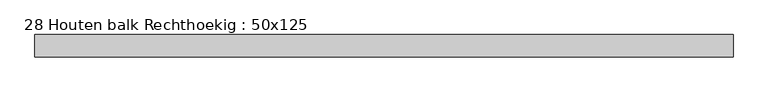
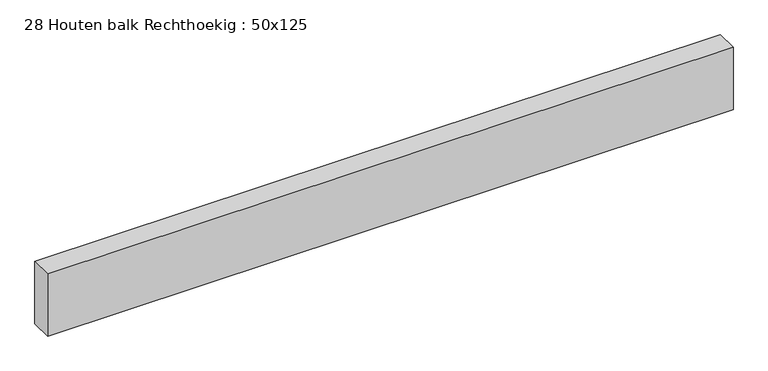
"""IFC4 building model written with IfcOpenShell, lengths in millimetres: beam geometry, 28 Houten balk Rechthoekig : 50x125."""

import ifcopenshell
import ifcopenshell.guid

model = None  # the IFC model being written
_history = None  # IfcOwnerHistory: only IFC2X3 demands one
_inside = {}  # id of a spatial element -> (the spatial element, [elements in it])
_under = {}  # id of a project, library or spatial element -> (it, [spatial elements below it])
_declared = {}  # id of a project -> (the project, [libraries it declares])
_typed = {}  # id of a type object -> (the type object, [elements of that type])
_made_of = {}  # id of a material, layer set ... -> (it, [elements and type objects made of it])


def new_model(schema):
    """Start an empty IFC model of exactly this schema.

    Asked for "IFC4X3", IfcOpenShell would pick the latest addendum, in which some entities
    have other attributes; the version numbers below select the first issue.
    IFC2X3 requires an IfcOwnerHistory on every rooted entity: one is made here for all.
    """
    global model, _history
    if schema == "IFC4X3":
        model = ifcopenshell.file(schema_version=(4, 3, 0, 0))
    else:
        model = ifcopenshell.file(schema=schema)
    _inside.clear()
    _under.clear()
    _declared.clear()
    _typed.clear()
    _made_of.clear()
    _history = None
    if model.schema == "IFC2X3":
        org = make("IfcOrganization", Name="unknown")
        user = make(
            "IfcPersonAndOrganization",
            ThePerson=make("IfcPerson", FamilyName="unknown"),
            TheOrganization=org,
        )
        app = make(
            "IfcApplication",
            ApplicationDeveloper=org,
            Version="unknown",
            ApplicationFullName="unknown",
            ApplicationIdentifier="unknown",
        )
        _history = make(
            "IfcOwnerHistory",
            OwningUser=user,
            OwningApplication=app,
            ChangeAction="ADDED",
            CreationDate=0,
        )
    return model


def make(cls, **values):
    """One entity of the class cls with the attributes given. An attribute that is None is left unset."""
    return model.create_entity(
        cls, **{name: value for name, value in values.items() if value is not None}
    )


def rooted(cls, **values):
    """An entity with a GlobalId (a new one), such as an element, a storey or a relation."""
    return make(cls, GlobalId=ifcopenshell.guid.new(), OwnerHistory=_history, **values)


def si_unit(unit_type, name, prefix=None):
    """IfcSIUnit, for example si_unit("LENGTHUNIT", "METRE", prefix="MILLI")."""
    return make("IfcSIUnit", UnitType=unit_type, Prefix=prefix, Name=name)


def assignment(units):
    """IfcUnitAssignment: the units of a project."""
    return None if units is None else make("IfcUnitAssignment", Units=units)


def point(xyz):
    """IfcCartesianPoint."""
    return None if xyz is None else make("IfcCartesianPoint", Coordinates=xyz)


def direction(xyz):
    """IfcDirection."""
    return None if xyz is None else make("IfcDirection", DirectionRatios=xyz)


def frame(location, z_axis=None, x_axis=None):
    """IfcAxis2Placement3D, a coordinate frame: its origin and axes. An axis left out is left unset."""
    return make(
        "IfcAxis2Placement3D",
        Location=point(location),
        Axis=direction(z_axis),
        RefDirection=direction(x_axis),
    )


def origin():
    """The frame at (0, 0, 0) with its axes left unset."""
    return frame((0.0, 0.0, 0.0))


def place(relative_to, where):
    """IfcLocalPlacement: puts the frame where relative to a parent placement (None: the world)."""
    return make(
        "IfcLocalPlacement", PlacementRelTo=relative_to, RelativePlacement=where
    )


def context(
    kind, dimensions, precision=None, world=None, true_north=None, identifier=None
):
    """IfcGeometricRepresentationContext, for example the 3D "Model" context."""
    return make(
        "IfcGeometricRepresentationContext",
        ContextIdentifier=identifier,
        ContextType=kind,
        CoordinateSpaceDimension=dimensions,
        Precision=precision,
        WorldCoordinateSystem=world,
        TrueNorth=true_north,
    )


def project(units=None, contexts=None):
    """IfcProject with its units and contexts."""
    return rooted(
        "IfcProject",
        Name="project",
        RepresentationContexts=contexts,
        UnitsInContext=assignment(units),
    )


def spatial(cls, under=None, at=None, **own):
    """A site, building, storey or space (cls), placed at a placement, below another one or the project."""
    s = rooted(cls, ObjectPlacement=at, **own)
    if under is not None:
        _under.setdefault(under.id(), (under, []))[1].append(s)
    return s


def polyline(points):
    """IfcPolyline through the points."""
    return make("IfcPolyline", Points=[point(p) for p in points])


def outline(outer, holes=None, kind="AREA"):
    """IfcArbitraryClosedProfileDef: a profile drawn as a closed curve; with holes, ...WithVoids."""
    if holes is None:
        return make("IfcArbitraryClosedProfileDef", ProfileType=kind, OuterCurve=outer)
    return make(
        "IfcArbitraryProfileDefWithVoids",
        ProfileType=kind,
        OuterCurve=outer,
        InnerCurves=holes,
    )


def extrude(swept, where, along, depth):
    """IfcExtrudedAreaSolid: the profile swept, set in the frame where, extruded along a direction by depth."""
    return make(
        "IfcExtrudedAreaSolid",
        SweptArea=swept,
        Position=where,
        ExtrudedDirection=direction(along),
        Depth=depth,
    )


def shape(context_of_items, identifier, shape_type, items):
    """IfcShapeRepresentation: the items that make up one representation, for example the "Body"."""
    return make(
        "IfcShapeRepresentation",
        ContextOfItems=context_of_items,
        RepresentationIdentifier=identifier,
        RepresentationType=shape_type,
        Items=items,
    )


def source(mapping_origin, context_of_items, identifier, shape_type, items):
    """IfcRepresentationMap: a shape defined once, which mapped items show again and again."""
    return make(
        "IfcRepresentationMap",
        MappingOrigin=mapping_origin,
        MappedRepresentation=shape(context_of_items, identifier, shape_type, items),
    )


def transform(
    local_origin,
    x_axis=None,
    y_axis=None,
    z_axis=None,
    scale=None,
    scale2=None,
    scale3=None,
    uniform=True,
):
    """IfcCartesianTransformationOperator3D, or its non-uniform kind. x_axis, y_axis, z_axis: its Axis1, 2, 3."""
    if uniform:
        return make(
            "IfcCartesianTransformationOperator3D",
            Axis1=direction(x_axis),
            Axis2=direction(y_axis),
            LocalOrigin=point(local_origin),
            Scale=scale,
            Axis3=direction(z_axis),
        )
    return make(
        "IfcCartesianTransformationOperator3DnonUniform",
        Axis1=direction(x_axis),
        Axis2=direction(y_axis),
        LocalOrigin=point(local_origin),
        Scale=scale,
        Axis3=direction(z_axis),
        Scale2=scale2,
        Scale3=scale3,
    )


def mapped(mapping_source, mapping_target):
    """IfcMappedItem: shows the shape of a source again, moved by a transform."""
    return make(
        "IfcMappedItem", MappingSource=mapping_source, MappingTarget=mapping_target
    )


def made_of(thing, what):
    """Note that an element or type object is made of a material, layer set ...; save() writes the relation."""
    if what is not None:
        _made_of.setdefault(what.id(), (what, []))[1].append(thing)
    return thing


def element(
    cls,
    number,
    at=None,
    inside=None,
    cuts=None,
    type_object=None,
    material=None,
    context=None,
    identifier="Body",
    shape_type=None,
    held_by="IfcProductDefinitionShape",
    body=None,
    shapes=None,
    **own,
):
    """One element of the class cls, such as IfcWall. Its Tag is "e" and its number.

    at: its placement. inside: the storey or other place that contains it. cuts: it is an
    opening in that element (IfcRelVoidsElement). A single representation is given by context,
    identifier, shape_type and body (its items); several are given by shapes. held_by: the class
    of the entity that holds the representations. save() writes the other relations.
    """
    e = rooted(cls, Tag="e%d" % number, ObjectPlacement=at, **own)
    if body is not None:
        shapes = [shape(context, identifier, shape_type, body)]
    if shapes is not None:
        e.Representation = make(held_by, Representations=shapes)
    if inside is not None:
        _inside.setdefault(inside.id(), (inside, []))[1].append(e)
    if cuts is not None:
        rooted(
            "IfcRelVoidsElement", RelatingBuildingElement=cuts, RelatedOpeningElement=e
        )
    if type_object is not None:
        _typed.setdefault(type_object.id(), (type_object, []))[1].append(e)
    return made_of(e, material)


def aggregate(whole, parts):
    """IfcRelAggregates: a whole, such as a stair, and the parts it consists of."""
    return rooted("IfcRelAggregates", RelatingObject=whole, RelatedObjects=parts)


def save(model, path):
    """Write the relations noted so far, then the file.

    IfcRelAggregates (storeys below a building ...), IfcRelContainedInSpatialStructure (elements
    in a storey), IfcRelDefinesByType, IfcRelAssociatesMaterial and IfcRelDeclares: one each for
    every whole, place, type object, material and project.
    """
    for whole, parts in _under.values():
        aggregate(whole, parts)
    for where, things in _inside.values():
        rooted(
            "IfcRelContainedInSpatialStructure",
            RelatedElements=things,
            RelatingStructure=where,
        )
    for kind, things in _typed.values():
        rooted("IfcRelDefinesByType", RelatedObjects=things, RelatingType=kind)
    for what, things in _made_of.values():
        rooted("IfcRelAssociatesMaterial", RelatedObjects=things, RelatingMaterial=what)
    for by, libraries in _declared.values():
        rooted("IfcRelDeclares", RelatingContext=by, RelatedDefinitions=libraries)
    model.write(path)


def beam_28_houten_balk_rechthoekig_50x125_5c0dd317(model_context):
    return source(origin(), model_context, "Body", "SweptSolid", [
        extrude(outline(polyline([(1358.8094439, -25.0), (-208.198461, -25.0), (-208.198461, 25.0), (1358.8094439, 25.0), (1358.8094439, -25.0)])), frame((0.0, 0.0, -75.0), z_axis=(0.0, 0.0, 1.0), x_axis=(1.0, 0.0, 0.0)), (0.0, 0.0, 1.0), 150.0),
    ])


if __name__ == "__main__":
    model = new_model("IFC4")
    model_context = context("Model", 3, world=origin())
    ifc_project = project(units=[si_unit("LENGTHUNIT", "METRE", prefix="MILLI")], contexts=[model_context])
    site = spatial("IfcSite", under=ifc_project)
    building = spatial("IfcBuilding", under=site)
    placement = place(None, origin())
    beam_28_houten_balk_rechthoekig_50x125_shape = beam_28_houten_balk_rechthoekig_50x125_5c0dd317(model_context)
    element("IfcBeam", 1, ObjectType="28 Houten balk Rechthoekig : 50x125", at=placement, inside=building, context=model_context, shape_type="MappedRepresentation", body=[
        mapped(beam_28_houten_balk_rechthoekig_50x125_shape, transform((0.0, 0.0, 0.0), x_axis=(1.0, 0.0, 0.0), y_axis=(0.0, 1.0, 0.0), z_axis=(0.0, 0.0, 1.0))),
    ])
    save(model, "model.ifc")
